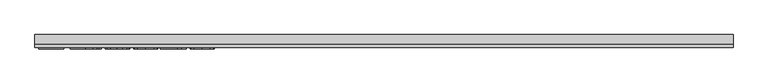
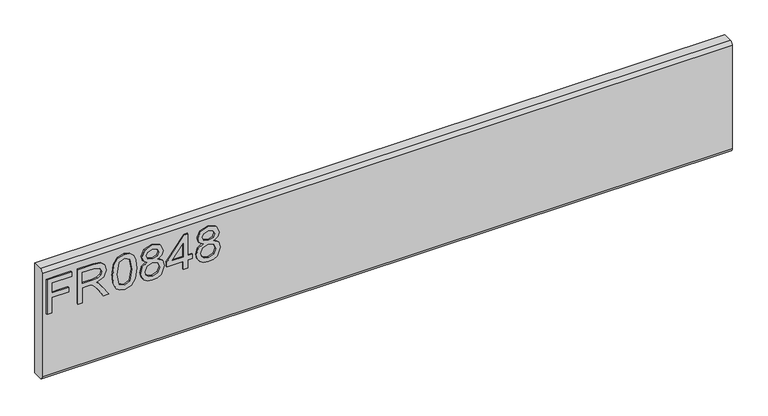
"""IFC4 building model written with IfcOpenShell, lengths in millimetres: furniture geometry."""

import ifcopenshell
import ifcopenshell.guid

model = None  # the IFC model being written
_history = None  # IfcOwnerHistory: only IFC2X3 demands one
_inside = {}  # id of a spatial element -> (the spatial element, [elements in it])
_under = {}  # id of a project, library or spatial element -> (it, [spatial elements below it])
_declared = {}  # id of a project -> (the project, [libraries it declares])
_typed = {}  # id of a type object -> (the type object, [elements of that type])
_made_of = {}  # id of a material, layer set ... -> (it, [elements and type objects made of it])


def new_model(schema):
    """Start an empty IFC model of exactly this schema.

    Asked for "IFC4X3", IfcOpenShell would pick the latest addendum, in which some entities
    have other attributes; the version numbers below select the first issue.
    IFC2X3 requires an IfcOwnerHistory on every rooted entity: one is made here for all.
    """
    global model, _history
    if schema == "IFC4X3":
        model = ifcopenshell.file(schema_version=(4, 3, 0, 0))
    else:
        model = ifcopenshell.file(schema=schema)
    _inside.clear()
    _under.clear()
    _declared.clear()
    _typed.clear()
    _made_of.clear()
    _history = None
    if model.schema == "IFC2X3":
        org = make("IfcOrganization", Name="unknown")
        user = make(
            "IfcPersonAndOrganization",
            ThePerson=make("IfcPerson", FamilyName="unknown"),
            TheOrganization=org,
        )
        app = make(
            "IfcApplication",
            ApplicationDeveloper=org,
            Version="unknown",
            ApplicationFullName="unknown",
            ApplicationIdentifier="unknown",
        )
        _history = make(
            "IfcOwnerHistory",
            OwningUser=user,
            OwningApplication=app,
            ChangeAction="ADDED",
            CreationDate=0,
        )
    return model


def make(cls, **values):
    """One entity of the class cls with the attributes given. An attribute that is None is left unset."""
    return model.create_entity(
        cls, **{name: value for name, value in values.items() if value is not None}
    )


def rooted(cls, **values):
    """An entity with a GlobalId (a new one), such as an element, a storey or a relation."""
    return make(cls, GlobalId=ifcopenshell.guid.new(), OwnerHistory=_history, **values)


def si_unit(unit_type, name, prefix=None):
    """IfcSIUnit, for example si_unit("LENGTHUNIT", "METRE", prefix="MILLI")."""
    return make("IfcSIUnit", UnitType=unit_type, Prefix=prefix, Name=name)


def assignment(units):
    """IfcUnitAssignment: the units of a project."""
    return None if units is None else make("IfcUnitAssignment", Units=units)


def point(xyz):
    """IfcCartesianPoint."""
    return None if xyz is None else make("IfcCartesianPoint", Coordinates=xyz)


def direction(xyz):
    """IfcDirection."""
    return None if xyz is None else make("IfcDirection", DirectionRatios=xyz)


def frame(location, z_axis=None, x_axis=None):
    """IfcAxis2Placement3D, a coordinate frame: its origin and axes. An axis left out is left unset."""
    return make(
        "IfcAxis2Placement3D",
        Location=point(location),
        Axis=direction(z_axis),
        RefDirection=direction(x_axis),
    )


def origin():
    """The frame at (0, 0, 0) with its axes left unset."""
    return frame((0.0, 0.0, 0.0))


def place(relative_to, where):
    """IfcLocalPlacement: puts the frame where relative to a parent placement (None: the world)."""
    return make(
        "IfcLocalPlacement", PlacementRelTo=relative_to, RelativePlacement=where
    )


def context(
    kind, dimensions, precision=None, world=None, true_north=None, identifier=None
):
    """IfcGeometricRepresentationContext, for example the 3D "Model" context."""
    return make(
        "IfcGeometricRepresentationContext",
        ContextIdentifier=identifier,
        ContextType=kind,
        CoordinateSpaceDimension=dimensions,
        Precision=precision,
        WorldCoordinateSystem=world,
        TrueNorth=true_north,
    )


def project(units=None, contexts=None):
    """IfcProject with its units and contexts."""
    return rooted(
        "IfcProject",
        Name="project",
        RepresentationContexts=contexts,
        UnitsInContext=assignment(units),
    )


def spatial(cls, under=None, at=None, **own):
    """A site, building, storey or space (cls), placed at a placement, below another one or the project."""
    s = rooted(cls, ObjectPlacement=at, **own)
    if under is not None:
        _under.setdefault(under.id(), (under, []))[1].append(s)
    return s


def polyline(points):
    """IfcPolyline through the points."""
    return make("IfcPolyline", Points=[point(p) for p in points])


def circle_curve(where, radius):
    """IfcCircle in the frame where."""
    return make("IfcCircle", Position=where, Radius=radius)


def outline(outer, holes=None, kind="AREA"):
    """IfcArbitraryClosedProfileDef: a profile drawn as a closed curve; with holes, ...WithVoids."""
    if holes is None:
        return make("IfcArbitraryClosedProfileDef", ProfileType=kind, OuterCurve=outer)
    return make(
        "IfcArbitraryProfileDefWithVoids",
        ProfileType=kind,
        OuterCurve=outer,
        InnerCurves=holes,
    )


def extrude(swept, where, along, depth):
    """IfcExtrudedAreaSolid: the profile swept, set in the frame where, extruded along a direction by depth."""
    return make(
        "IfcExtrudedAreaSolid",
        SweptArea=swept,
        Position=where,
        ExtrudedDirection=direction(along),
        Depth=depth,
    )


def shape(context_of_items, identifier, shape_type, items):
    """IfcShapeRepresentation: the items that make up one representation, for example the "Body"."""
    return make(
        "IfcShapeRepresentation",
        ContextOfItems=context_of_items,
        RepresentationIdentifier=identifier,
        RepresentationType=shape_type,
        Items=items,
    )


def source(mapping_origin, context_of_items, identifier, shape_type, items):
    """IfcRepresentationMap: a shape defined once, which mapped items show again and again."""
    return make(
        "IfcRepresentationMap",
        MappingOrigin=mapping_origin,
        MappedRepresentation=shape(context_of_items, identifier, shape_type, items),
    )


def transform(
    local_origin,
    x_axis=None,
    y_axis=None,
    z_axis=None,
    scale=None,
    scale2=None,
    scale3=None,
    uniform=True,
):
    """IfcCartesianTransformationOperator3D, or its non-uniform kind. x_axis, y_axis, z_axis: its Axis1, 2, 3."""
    if uniform:
        return make(
            "IfcCartesianTransformationOperator3D",
            Axis1=direction(x_axis),
            Axis2=direction(y_axis),
            LocalOrigin=point(local_origin),
            Scale=scale,
            Axis3=direction(z_axis),
        )
    return make(
        "IfcCartesianTransformationOperator3DnonUniform",
        Axis1=direction(x_axis),
        Axis2=direction(y_axis),
        LocalOrigin=point(local_origin),
        Scale=scale,
        Axis3=direction(z_axis),
        Scale2=scale2,
        Scale3=scale3,
    )


def mapped(mapping_source, mapping_target):
    """IfcMappedItem: shows the shape of a source again, moved by a transform."""
    return make(
        "IfcMappedItem", MappingSource=mapping_source, MappingTarget=mapping_target
    )


def made_of(thing, what):
    """Note that an element or type object is made of a material, layer set ...; save() writes the relation."""
    if what is not None:
        _made_of.setdefault(what.id(), (what, []))[1].append(thing)
    return thing


def element(
    cls,
    number,
    at=None,
    inside=None,
    cuts=None,
    type_object=None,
    material=None,
    context=None,
    identifier="Body",
    shape_type=None,
    held_by="IfcProductDefinitionShape",
    body=None,
    shapes=None,
    **own,
):
    """One element of the class cls, such as IfcWall. Its Tag is "e" and its number.

    at: its placement. inside: the storey or other place that contains it. cuts: it is an
    opening in that element (IfcRelVoidsElement). A single representation is given by context,
    identifier, shape_type and body (its items); several are given by shapes. held_by: the class
    of the entity that holds the representations. save() writes the other relations.
    """
    e = rooted(cls, Tag="e%d" % number, ObjectPlacement=at, **own)
    if body is not None:
        shapes = [shape(context, identifier, shape_type, body)]
    if shapes is not None:
        e.Representation = make(held_by, Representations=shapes)
    if inside is not None:
        _inside.setdefault(inside.id(), (inside, []))[1].append(e)
    if cuts is not None:
        rooted(
            "IfcRelVoidsElement", RelatingBuildingElement=cuts, RelatedOpeningElement=e
        )
    if type_object is not None:
        _typed.setdefault(type_object.id(), (type_object, []))[1].append(e)
    return made_of(e, material)


def aggregate(whole, parts):
    """IfcRelAggregates: a whole, such as a stair, and the parts it consists of."""
    return rooted("IfcRelAggregates", RelatingObject=whole, RelatedObjects=parts)


def save(model, path):
    """Write the relations noted so far, then the file.

    IfcRelAggregates (storeys below a building ...), IfcRelContainedInSpatialStructure (elements
    in a storey), IfcRelDefinesByType, IfcRelAssociatesMaterial and IfcRelDeclares: one each for
    every whole, place, type object, material and project.
    """
    for whole, parts in _under.values():
        aggregate(whole, parts)
    for where, things in _inside.values():
        rooted(
            "IfcRelContainedInSpatialStructure",
            RelatedElements=things,
            RelatingStructure=where,
        )
    for kind, things in _typed.values():
        rooted("IfcRelDefinesByType", RelatedObjects=things, RelatingType=kind)
    for what, things in _made_of.values():
        rooted("IfcRelAssociatesMaterial", RelatedObjects=things, RelatingMaterial=what)
    for by, libraries in _declared.values():
        rooted("IfcRelDeclares", RelatingContext=by, RelatedDefinitions=libraries)
    model.write(path)


def plane_surface(at):
    """IfcPlane: the flat surface through the origin of the frame at, square to its z axis."""
    return make("IfcPlane", Position=at)


def cylinder_surface(at, radius):
    """IfcCylindricalSurface: all points at the distance radius from the z axis of the frame at."""
    return make("IfcCylindricalSurface", Position=at, Radius=radius)


def advanced_brep(points, edges, surfaces, faces):
    """IfcAdvancedBrep: a solid bounded by faces that lie on surfaces and meet in shared edges.

    An edge is (start, end): straight between two places in points (the first is 0);
    or (start, end, curve); or (start, end, curve, False) where it runs against its curve.
    A face is (place in surfaces, loops), or (place, loops, False) where it looks against
    its surface's normal. A loop lists edges by number (the first is 1), with a minus sign
    where the edge is run from its end to its start. The first loop is the outer one.
    """
    corners = [point(p) for p in points]
    vertices = [make("IfcVertexPoint", VertexGeometry=c) for c in corners]
    made = []
    for start, end, *more in edges:
        made.append(
            make(
                "IfcEdgeCurve",
                EdgeStart=vertices[start],
                EdgeEnd=vertices[end],
                EdgeGeometry=more[0] if more else make("IfcPolyline", Points=[corners[start], corners[end]]),
                SameSense=more[1] if len(more) > 1 else True,
            )
        )
    hull = []
    for where, loops, *sense in faces:
        bounds = []
        for j, loop in enumerate(loops):
            ring = [make("IfcOrientedEdge", EdgeElement=made[abs(k) - 1], Orientation=k > 0) for k in loop]
            bounds.append(
                make(
                    "IfcFaceOuterBound" if j == 0 else "IfcFaceBound",
                    Bound=make("IfcEdgeLoop", EdgeList=ring),
                    Orientation=True,
                )
            )
        hull.append(make("IfcAdvancedFace", Bounds=bounds, FaceSurface=surfaces[where], SameSense=sense[0] if sense else True))
    return make("IfcAdvancedBrep", Outer=make("IfcClosedShell", CfsFaces=hull))


def furniture_a7442aa3(model_context):
    return source(origin(), model_context, "Body", "SolidModel", [
        extrude(outline(polyline([(679.45, -596.2729953), (679.45, -588.2992757), (708.3547336, -588.2992757), (708.3547336, -558.3978271), (716.3284532, -558.3978271), (716.3284532, -588.2992757), (735.2660373, -588.2992757), (735.2660373, -553.4142524), (743.2397569, -553.4142524), (743.2397569, -596.2729953), (679.45, -596.2729953)])), frame((0.0, -15.0812439, 0.0), z_axis=(0.0, 1.0, 0.0), x_axis=(0.0, 0.0, 1.0)), (0.0, 0.0, 1.0), 2.38125),
        extrude(outline(polyline([(679.45, -542.4503879), (679.45, -534.4766683), (707.3580187, -534.4766683), (707.3580187, -524.8521395), (707.0776926, -520.2267592), (705.5592596, -516.4345703), (701.42445, -512.2218923), (692.6720468, -506.2260289), (679.45, -497.9252622), (679.45, -488.6589278), (696.736775, -499.2957452), (704.9440996, -505.7588187), (708.3547336, -510.290757), (714.2883023, -496.936334), (725.7816716, -492.6146403), (735.4295609, -495.2232302), (741.5188663, -502.2002349), (743.2397569, -514.9628584), (743.2397569, -542.4503879), (679.45, -542.4503879)]), holes=[polyline([(715.3317383, -534.4766683), (735.2660373, -534.4766683), (735.2660373, -514.6202376), (732.5094975, -503.9600597), (725.4857719, -500.5883599), (720.0739211, -502.3559716), (716.4608294, -507.5264304), (715.3317383, -516.6292412), (715.3317383, -534.4766683)])]), frame((0.0, -15.0812439, 0.0), z_axis=(0.0, 1.0, 0.0), x_axis=(0.0, 0.0, 1.0)), (0.0, 0.0, 1.0), 2.38125),
        extrude(outline(polyline([(710.8309473, -481.6507758), (695.3156775, -480.0622614), (684.5270168, -475.296718), (679.971718, -469.0049549), (678.453285, -460.7197618), (681.9495742, -449.0472953), (692.5552443, -442.1092248), (710.8309473, -439.7887478), (725.8206058, -441.2370992), (735.2582505, -444.9747803), (741.1840324, -451.4067065), (743.2397569, -460.7197618), (739.7668283, -472.3455073), (729.1845188, -479.3069383), (710.8309473, -481.6507758)]), holes=[polyline([(710.846521, -473.6770562), (730.9988514, -469.8147858), (735.2660373, -460.8132039), (730.4226256, -451.3755591), (710.846521, -447.7624674), (691.0601718, -451.5001485), (686.4270047, -460.7197618), (691.0445982, -469.9393751), (710.846521, -473.6770562)])]), frame((0.0, -15.0812439, 0.0), z_axis=(0.0, 1.0, 0.0), x_axis=(0.0, 0.0, 1.0)), (0.0, 0.0, 1.0), 2.38125),
        extrude(outline(polyline([(714.5842021, -421.1937845), (708.7907964, -429.790451), (698.2318474, -432.8117432), (690.4742125, -431.3711786), (684.1143145, -427.0494848), (679.8685424, -420.3761668), (678.453285, -411.8807292), (679.8627023, -403.3852916), (684.090954, -396.7119735), (698.013816, -390.9497152), (708.3313731, -393.8542048), (714.5842021, -402.3340688), (719.513269, -395.2714089), (727.0275653, -392.9431451), (738.5209346, -398.1758986), (743.2397569, -411.9897449), (738.6299503, -425.6790018), (727.2455967, -430.8183133), (719.5366295, -428.4589021), (714.5842021, -421.1937845)]), holes=[polyline([(727.0119916, -422.8445936), (732.8365446, -419.9712513), (735.2660373, -411.8807292), (732.7820368, -403.8135675), (726.6537972, -400.9168647), (720.7358022, -403.7201255), (718.3218831, -411.7872871), (720.7513758, -420.0179723), (727.0119916, -422.8445936)]), polyline([(698.5121735, -424.8380235), (706.9686769, -421.4663237), (710.3481635, -412.0831869), (706.9219559, -402.4275108), (698.2629947, -398.9234348), (689.7675571, -402.3184951), (686.4270047, -411.8184345), (688.0155191, -418.7954391), (692.5085232, -423.5064747), (698.5121735, -424.8380235)])]), frame((0.0, -15.0812439, 0.0), z_axis=(0.0, 1.0, 0.0), x_axis=(0.0, 0.0, 1.0)), (0.0, 0.0, 1.0), 2.38125),
        extrude(outline(polyline([(679.45, -358.0581217), (679.45, -350.0844021), (694.4007243, -350.0844021), (694.4007243, -342.1106825), (702.3744439, -342.1106825), (702.3744439, -350.0844021), (742.243042, -350.0844021), (742.243042, -356.0646918), (702.3744439, -386.9628554), (694.4007243, -386.9628554), (694.4007243, -358.0581217), (679.45, -358.0581217)]), holes=[polyline([(702.3744439, -358.0581217), (702.3744439, -377.1514425), (727.0119916, -358.0581217), (702.3744439, -358.0581217)])]), frame((0.0, -15.0812439, 0.0), z_axis=(0.0, 1.0, 0.0), x_axis=(0.0, 0.0, 1.0)), (0.0, 0.0, 1.0), 2.38125),
        extrude(outline(polyline([(714.5842021, -323.5157192), (708.7907964, -332.1123856), (698.2318474, -335.1336778), (690.4742125, -333.6931133), (684.1143145, -329.3714195), (679.8685424, -322.6981014), (678.453285, -314.2026638), (679.8627023, -305.7072262), (684.090954, -299.0339082), (698.013816, -293.2716498), (708.3313731, -296.1761395), (714.5842021, -304.6560034), (719.513269, -297.5933436), (727.0275653, -295.2650797), (738.5209346, -300.4978332), (743.2397569, -314.3116795), (738.6299503, -328.0009365), (727.2455967, -333.1402479), (719.5366295, -330.7808368), (714.5842021, -323.5157192)]), holes=[polyline([(727.0119916, -325.1665283), (732.8365446, -322.293186), (735.2660373, -314.2026638), (732.7820368, -306.1355022), (726.6537972, -303.2387994), (720.7358022, -306.0420602), (718.3218831, -314.1092218), (720.7513758, -322.339907), (727.0119916, -325.1665283)]), polyline([(698.5121735, -327.1599582), (706.9686769, -323.7882584), (710.3481635, -314.4051216), (706.9219559, -304.7494455), (698.2629947, -301.2453695), (689.7675571, -304.6404298), (686.4270047, -314.1403692), (688.0155191, -321.1173738), (692.5085232, -325.8284093), (698.5121735, -327.1599582)])]), frame((0.0, -15.0812439, 0.0), z_axis=(0.0, 1.0, 0.0), x_axis=(0.0, 0.0, 1.0)), (0.0, 0.0, 1.0), 2.38125),
        advanced_brep(
        [(603.25, 9.5250061, 762.0), (603.25, -6.7309939, 762.0), (603.25, -12.6999939, 756.031), (603.25, -12.6999939, 564.769), (603.25, -6.7309939, 558.8), (603.25, 9.5250061, 558.8), (-603.25, 9.5250061, 762.0), (-603.25, 9.5250061, 558.8), (-603.25, -6.7309939, 558.8), (-603.25, -12.6999939, 564.769), (-603.25, -12.6999939, 756.0310121), (-603.25, -6.7309939, 762.0)],
        [
            (0, 1),
            (1, 2, circle_curve(frame((603.25, -6.7309939, 756.031), z_axis=(1.0, 0.0, 0.0), x_axis=(0.0, 1.0, 0.0)), 5.969)),
            (2, 3),
            (3, 4, circle_curve(frame((603.25, -6.7309939, 564.769), z_axis=(1.0, 0.0, 0.0), x_axis=(0.0, 1.0, 0.0)), 5.969)),
            (4, 5),
            (5, 0),
            (6, 7),
            (7, 8),
            (8, 9, circle_curve(frame((-603.25, -6.7309939, 564.769), z_axis=(-1.0, 0.0, 0.0), x_axis=(0.0, 1.0, 0.0)), 5.969)),
            (9, 10),
            (10, 11, circle_curve(frame((-603.25, -6.7309939, 756.031), z_axis=(-1.0, 0.0, 0.0), x_axis=(0.0, 1.0, 0.0)), 5.969)),
            (11, 6),
            (0, 6),
            (11, 1),
            (10, 2),
            (9, 3),
            (8, 4),
            (7, 5),
        ],
        [
            plane_surface(frame((603.25, -6.7309939, 762.0), z_axis=(1.0, 0.0, 0.0), x_axis=(0.0, -1.0, 0.0))),
            plane_surface(frame((-603.25, -6.7309939, 762.0), z_axis=(-1.0, 0.0, 0.0), x_axis=(0.0, 1.0, 0.0))),
            plane_surface(frame((603.25, 9.5250061, 762.0), z_axis=(0.0, 0.0, 1.0), x_axis=(-1.0, 0.0, 0.0))),
            cylinder_surface(frame((-603.25, -6.7309939, 756.031), z_axis=(1.0, 0.0, 0.0), x_axis=(0.0, 1.0, 0.0)), 5.969),
            plane_surface(frame((603.25, -12.6999939, 756.0310121), z_axis=(0.0, -1.0, 0.0), x_axis=(-1.0, 0.0, 0.0))),
            cylinder_surface(frame((-603.25, -6.7309939, 564.769), z_axis=(1.0, 0.0, 0.0), x_axis=(0.0, 1.0, 0.0)), 5.969),
            plane_surface(frame((603.25, -6.7309939, 558.8), z_axis=(0.0, 0.0, -1.0), x_axis=(-1.0, 0.0, 0.0))),
            plane_surface(frame((603.25, 9.5250061, 558.8), z_axis=(0.0, 1.0, 0.0), x_axis=(-1.0, 0.0, 0.0))),
        ],
        [
            (0, [[1, 2, 3, 4, 5, 6]]),
            (1, [[7, 8, 9, 10, 11, 12]]),
            (2, [[-1, 13, -12, 14]]),
            (3, [[-2, -14, -11, 15]]),
            (4, [[-3, -15, -10, 16]]),
            (5, [[-4, -16, -9, 17]]),
            (6, [[-5, -17, -8, 18]]),
            (7, [[-6, -18, -7, -13]]),
        ],
    ),
    ])


if __name__ == "__main__":
    model = new_model("IFC4")
    model_context = context("Model", 3, world=origin())
    ifc_project = project(units=[si_unit("LENGTHUNIT", "METRE", prefix="MILLI")], contexts=[model_context])
    site = spatial("IfcSite", under=ifc_project)
    building = spatial("IfcBuilding", under=site)
    placement = place(None, origin())
    furniture_shape = furniture_a7442aa3(model_context)
    element("IfcFurniture", 1, at=placement, inside=building, context=model_context, shape_type="MappedRepresentation", body=[
        mapped(furniture_shape, transform((0.0, 0.0, 0.0), x_axis=(1.0, 0.0, 0.0), y_axis=(0.0, 1.0, 0.0), z_axis=(0.0, 0.0, 1.0))),
    ])
    save(model, "model.ifc")
